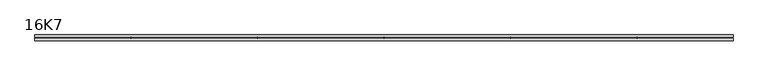
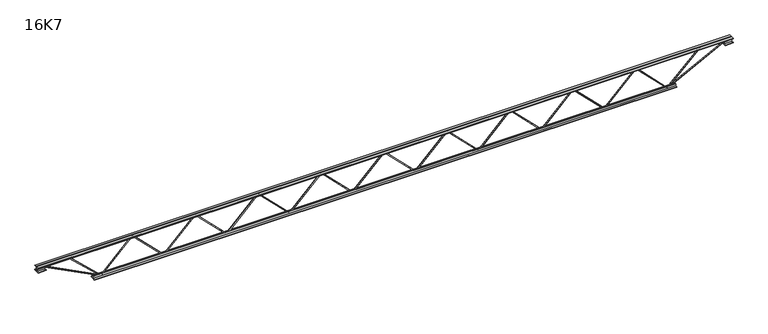
"""IFC4 building model written with IfcOpenShell, lengths in millimetres: beam geometry, 16K7."""

from ifc_helpers import new_model, si_unit, frame, origin, place, context, project, spatial, polyline, outline, extrude, source, transform, mapped, element, save


def beam_16k7_7b68013a(model_context):
    return source(origin(), model_context, "Body", "SweptSolid", [
        extrude(outline(polyline([(-191.9, 1993.6111111), (-201.4, 1993.6111111), (-201.4, 1998.7569121), (191.9, 2391.1291343), (191.9, 2393.5375324), (-201.4, 2785.9097546), (-201.4, 2791.0555556), (-191.9, 2791.0555556), (-191.9, 2789.8513565), (201.4, 2397.4791343), (201.4, 2387.1875324), (-191.9, 1994.8153101), (-191.9, 1993.6111111)])), frame((0.0, -4.75, 0.0), z_axis=(0.0, 1.0, 0.0), x_axis=(0.0, 0.0, 1.0)), (0.0, 0.0, 1.0), 9.5),
        extrude(outline(polyline([(-191.9, 1196.1666667), (-201.4, 1196.1666667), (-201.4, 1201.3124676), (191.9, 1593.6846899), (191.9, 1596.0930879), (-201.4, 1988.4653101), (-201.4, 1993.6111111), (-191.9, 1993.6111111), (-191.9, 1992.4069121), (201.4, 1600.0346899), (201.4, 1589.7430879), (-191.9, 1197.3708657), (-191.9, 1196.1666667)])), frame((0.0, -4.75, 0.0), z_axis=(0.0, 1.0, 0.0), x_axis=(0.0, 0.0, 1.0)), (0.0, 0.0, 1.0), 9.5),
        extrude(outline(polyline([(-191.9, 398.7222222), (-201.4, 398.7222222), (-201.4, 403.8680232), (191.9, 796.2402454), (191.9, 798.6486435), (-201.4, 1191.0208657), (-201.4, 1196.1666667), (-191.9, 1196.1666667), (-191.9, 1194.9624676), (201.4, 802.5902454), (201.4, 792.2986435), (-191.9, 399.9264212), (-191.9, 398.7222222)])), frame((0.0, -4.75, 0.0), z_axis=(0.0, 1.0, 0.0), x_axis=(0.0, 0.0, 1.0)), (0.0, 0.0, 1.0), 9.5),
        extrude(outline(polyline([(-191.9, -398.7222222), (-201.4, -398.7222222), (-201.4, -393.5764212), (191.9, -1.204199), (191.9, 1.204199), (-201.4, 393.5764212), (-201.4, 398.7222222), (-191.9, 398.7222222), (-191.9, 397.5180232), (201.4, 5.145801), (201.4, -5.145801), (-191.9, -397.5180232), (-191.9, -398.7222222)])), frame((0.0, -4.75, 0.0), z_axis=(0.0, 1.0, 0.0), x_axis=(0.0, 0.0, 1.0)), (0.0, 0.0, 1.0), 9.5),
        extrude(outline(polyline([(-191.9, -1196.1666667), (-201.4, -1196.1666667), (-201.4, -1191.0208657), (191.9, -798.6486435), (191.9, -796.2402454), (-201.4, -403.8680232), (-201.4, -398.7222222), (-191.9, -398.7222222), (-191.9, -399.9264212), (201.4, -792.2986435), (201.4, -802.5902454), (-191.9, -1194.9624676), (-191.9, -1196.1666667)])), frame((0.0, -4.75, 0.0), z_axis=(0.0, 1.0, 0.0), x_axis=(0.0, 0.0, 1.0)), (0.0, 0.0, 1.0), 9.5),
        extrude(outline(polyline([(-191.9, -1993.6111111), (-201.4, -1993.6111111), (-201.4, -1988.4653101), (191.9, -1596.0930879), (191.9, -1593.6846899), (-201.4, -1201.3124676), (-201.4, -1196.1666667), (-191.9, -1196.1666667), (-191.9, -1197.3708657), (201.4, -1589.7430879), (201.4, -1600.0346899), (-191.9, -1992.4069121), (-191.9, -1993.6111111)])), frame((0.0, -4.75, 0.0), z_axis=(0.0, 1.0, 0.0), x_axis=(0.0, 0.0, 1.0)), (0.0, 0.0, 1.0), 9.5),
        extrude(outline(polyline([(-191.9, -2791.0555556), (-201.4, -2791.0555556), (-201.4, -2785.9097546), (191.9, -2393.5375324), (191.9, -2391.1291343), (-201.4, -1998.7569121), (-201.4, -1993.6111111), (-191.9, -1993.6111111), (-191.9, -1994.8153101), (201.4, -2387.1875324), (201.4, -2397.4791343), (-191.9, -2789.8513565), (-191.9, -2791.0555556)])), frame((0.0, -4.75, 0.0), z_axis=(0.0, 1.0, 0.0), x_axis=(0.0, 0.0, 1.0)), (0.0, 0.0, 1.0), 9.5),
        extrude(outline(polyline([(-191.9, 2791.0555556), (-201.4, 2791.0555556), (-201.4, 2796.2013565), (191.9, 3188.5735788), (191.9, 3190.9819768), (-201.4, 3583.354199), (-201.4, 3588.5), (-191.9, 3588.5), (-191.9, 3587.295801), (201.4, 3194.9235788), (201.4, 3184.6319768), (-191.9, 2792.2597546), (-191.9, 2791.0555556)])), frame((0.0, -4.75, 0.0), z_axis=(0.0, 1.0, 0.0), x_axis=(0.0, 0.0, 1.0)), (0.0, 0.0, 1.0), 9.5),
        extrude(outline(polyline([(-191.9, -3588.5), (-201.4, -3588.5), (-201.4, -3583.354199), (191.9, -3190.9819768), (191.9, -3188.5735788), (-201.4, -2796.2013565), (-201.4, -2791.0555556), (-191.9, -2791.0555556), (-191.9, -2792.2597546), (201.4, -3184.6319768), (201.4, -3194.9235788), (-191.9, -3587.295801), (-191.9, -3588.5)])), frame((0.0, -4.75, 0.0), z_axis=(0.0, 1.0, 0.0), x_axis=(0.0, 0.0, 1.0)), (0.0, 0.0, 1.0), 9.5),
        extrude(outline(polyline([(4.75, 203.0), (36.75, 203.0), (36.75, 196.5), (11.25, 196.5), (11.25, 171.0), (4.75, 171.0), (4.75, 203.0)])), frame((-4400.5, 0.0, 0.0), z_axis=(1.0, 0.0, 0.0), x_axis=(0.0, 1.0, 0.0)), (0.0, 0.0, 1.0), 8801.0),
        extrude(outline(polyline([(-4.75, 203.0), (-4.75, 171.0), (-11.25, 171.0), (-11.25, 196.5), (-36.75, 196.5), (-36.75, 203.0), (-4.75, 203.0)])), frame((-4400.5, 0.0, 0.0), z_axis=(1.0, 0.0, 0.0), x_axis=(0.0, 1.0, 0.0)), (0.0, 0.0, 1.0), 8801.0),
        extrude(outline(polyline([(-4.75, 139.5), (-36.75, 139.5), (-36.75, 146.0), (-11.25, 146.0), (-11.25, 171.0), (-4.75, 171.0), (-4.75, 139.5)])), frame((-4400.5, 0.0, 0.0), z_axis=(1.0, 0.0, 0.0), x_axis=(0.0, 1.0, 0.0)), (0.0, 0.0, 1.0), 100.0),
        extrude(outline(polyline([(36.75, 139.5), (4.75, 139.5), (4.75, 171.0), (11.25, 171.0), (11.25, 146.0), (36.75, 146.0), (36.75, 139.5)])), frame((-4400.5, 0.0, 0.0), z_axis=(1.0, 0.0, 0.0), x_axis=(0.0, 1.0, 0.0)), (0.0, 0.0, 1.0), 100.0),
        extrude(outline(polyline([(4.75, 139.5), (4.75, 171.0), (11.25, 171.0), (11.25, 146.0), (36.75, 146.0), (36.75, 139.5), (4.75, 139.5)])), frame((4300.5, 0.0, 0.0), z_axis=(1.0, 0.0, 0.0), x_axis=(0.0, 1.0, 0.0)), (0.0, 0.0, 1.0), 100.0),
        extrude(outline(polyline([(-4.75, 139.5), (-36.75, 139.5), (-36.75, 146.0), (-11.25, 146.0), (-11.25, 171.0), (-4.75, 171.0), (-4.75, 139.5)])), frame((4300.5, 0.0, 0.0), z_axis=(1.0, 0.0, 0.0), x_axis=(0.0, 1.0, 0.0)), (0.0, 0.0, 1.0), 100.0),
        extrude(outline(polyline([(4.75, -203.0), (4.75, -171.0), (11.25, -171.0), (11.25, -196.5), (36.75, -196.5), (36.75, -203.0), (4.75, -203.0)])), frame((-3688.5, 0.0, 0.0), z_axis=(1.0, 0.0, 0.0), x_axis=(0.0, 1.0, 0.0)), (0.0, 0.0, 1.0), 7377.0),
        extrude(outline(polyline([(-4.75, -203.0), (-36.75, -203.0), (-36.75, -196.5), (-11.25, -196.5), (-11.25, -171.0), (-4.75, -171.0), (-4.75, -203.0)])), frame((-3688.5, 0.0, 0.0), z_axis=(1.0, 0.0, 0.0), x_axis=(0.0, 1.0, 0.0)), (0.0, 0.0, 1.0), 7377.0),
        extrude(outline(polyline([(-200.8705467, -3590.6793315), (-192.4294533, -3586.3206685), (175.75, -4299.3460208), (175.75, -4400.5), (166.25, -4400.5), (166.25, -4301.6539792), (-200.8705467, -3590.6793315)])), frame((0.0, -4.75, 0.0), z_axis=(0.0, 1.0, 0.0), x_axis=(0.0, 0.0, 1.0)), (0.0, 0.0, 1.0), 9.5),
        extrude(outline(polyline([(188.7, -4007.1793651), (179.2, -4007.1793651), (179.2, -3996.3577202), (-200.1153258, -3591.7486947), (-193.1846742, -3585.2513053), (188.7, -3992.6010099), (188.7, -4007.1793651)])), frame((0.0, -4.75, 0.0), z_axis=(0.0, 1.0, 0.0), x_axis=(0.0, 0.0, 1.0)), (0.0, 0.0, 1.0), 9.5),
        extrude(outline(polyline([(0.0, -9.5), (0.0, 0.0), (801.3179909, 0.0), (801.3179909, -9.5), (0.0, -9.5)])), frame((4302.6793315, -4.75, 166.7794533), z_axis=(-0.4588066213244958, 0.0, 0.8885361468329811), x_axis=(-0.8885361468329811, 0.0, -0.4588066213244958)), (0.0, 0.0, 1.0), 9.5),
        extrude(outline(polyline([(0.0, -9.5), (0.0, 0.0), (570.4816399, 0.0), (570.4816399, -9.5), (0.0, -9.5)])), frame((4005.0112408, -4.75, 193.2092698), z_axis=(-0.6894174544370392, 0.0, 0.7243642547210299), x_axis=(-0.7243642547210299, 0.0, -0.6894174544370392)), (0.0, 0.0, 1.0), 9.5),
    ])


if __name__ == "__main__":
    model = new_model("IFC4")
    model_context = context("Model", 3, world=origin())
    ifc_project = project(units=[si_unit("LENGTHUNIT", "METRE", prefix="MILLI")], contexts=[model_context])
    site = spatial("IfcSite", under=ifc_project)
    building = spatial("IfcBuilding", under=site)
    placement = place(None, origin())
    beam_16k7_shape = beam_16k7_7b68013a(model_context)
    element("IfcBeam", 1, ObjectType="16K7", at=placement, inside=building, context=model_context, shape_type="MappedRepresentation", body=[
        mapped(beam_16k7_shape, transform((0.0, 0.0, 0.0), x_axis=(1.0, 0.0, 0.0), y_axis=(0.0, 1.0, 0.0), z_axis=(0.0, 0.0, 1.0))),
    ])
    save(model, "model.ifc")
